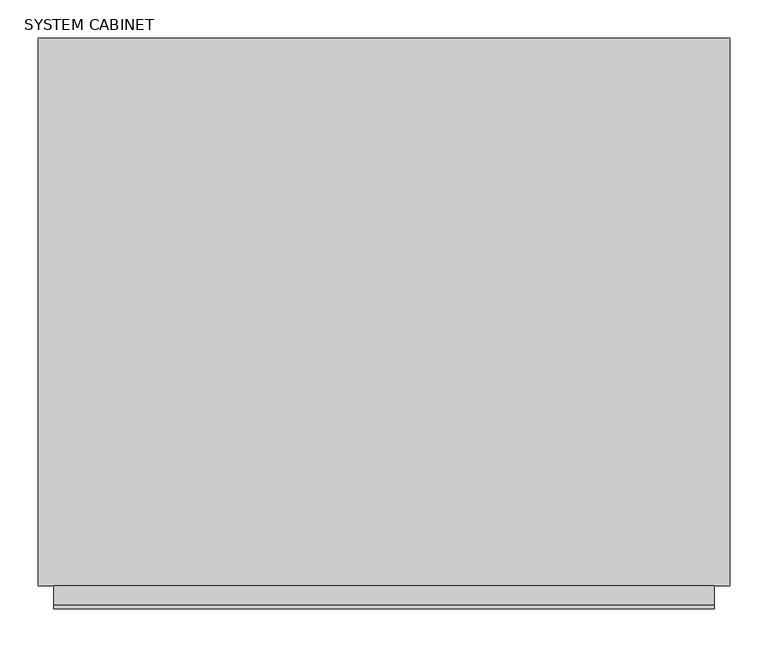
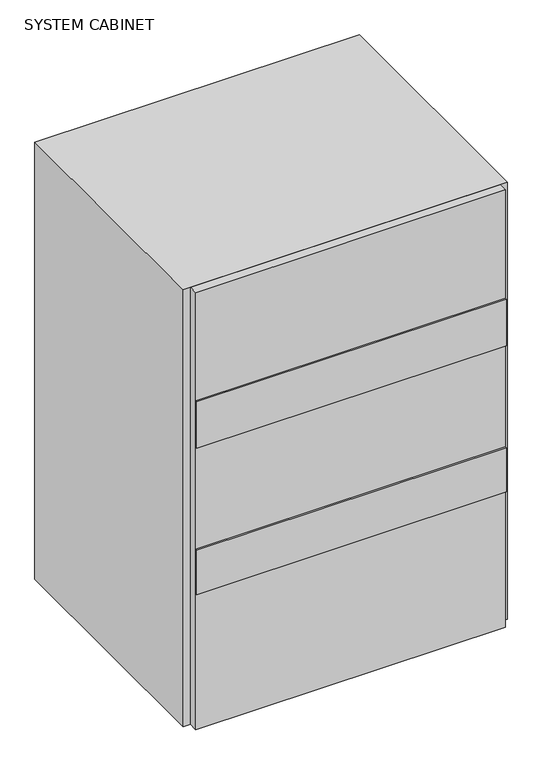
"""IFC4 building model written with IfcOpenShell, lengths in millimetres: proxy geometry, SYSTEM CABINET."""

from ifc_helpers import new_model, si_unit, frame, origin, origin_with_axes, place, context, project, spatial, polyline, outline, extrude, source, transform, mapped, element, save


def system_cabinet_9f3ae8b5(model_context):
    return source(origin(), model_context, "Body", "SweptSolid", [
        extrude(outline(polyline([(811.8510535, -657.1150282), (-54.2123292, -657.1150282), (-54.2123292, -652.3114305), (811.8510535, -652.3114305), (811.8510535, -657.1150282)])), frame((0.0, 0.0, 834.4480742), z_axis=(0.0, 0.0, 1.0), x_axis=(1.0, 0.0, 0.0)), (0.0, 0.0, 1.0), 136.6912065),
        extrude(outline(polyline([(811.8510535, -657.1150282), (-54.2123292, -657.1150282), (-54.2123292, -652.3114305), (811.8510535, -652.3114305), (811.8510535, -657.1150282)])), frame((0.0, 0.0, 402.057523), z_axis=(0.0, 0.0, 1.0), x_axis=(1.0, 0.0, 0.0)), (0.0, 0.0, 1.0), 131.1119736),
        extrude(outline(polyline([(811.8510535, -627.0090561), (811.8510535, -652.3114305), (-54.2123292, -652.3114305), (-54.2123292, -627.0090561), (811.8510535, -627.0090561)])), origin_with_axes(), (0.0, 0.0, 1.0), 1290.9427581),
        extrude(outline(polyline([(832.2693622, -627.0090561), (-74.6306378, -627.0090561), (-74.6306378, 91.3029439), (832.2693622, 91.3029439), (832.2693622, -627.0090561)])), origin_with_axes(), (0.0, 0.0, 1.0), 1290.9427581),
    ])


if __name__ == "__main__":
    model = new_model("IFC4")
    model_context = context("Model", 3, world=origin())
    ifc_project = project(units=[si_unit("LENGTHUNIT", "METRE", prefix="MILLI")], contexts=[model_context])
    site = spatial("IfcSite", under=ifc_project)
    building = spatial("IfcBuilding", under=site)
    placement = place(None, origin())
    system_cabinet_shape = system_cabinet_9f3ae8b5(model_context)
    element("IfcBuildingElementProxy", 1, Name="SYSTEM CABINET", ObjectType="SYSTEM CABINET", at=placement, inside=building, context=model_context, shape_type="MappedRepresentation", body=[
        mapped(system_cabinet_shape, transform((0.0, 0.0, 0.0), x_axis=(1.0, 0.0, 0.0), y_axis=(0.0, 1.0, 0.0), z_axis=(0.0, 0.0, 1.0))),
    ])
    save(model, "model.ifc")
